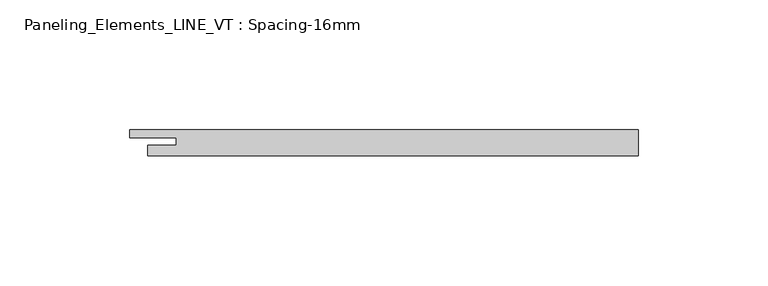
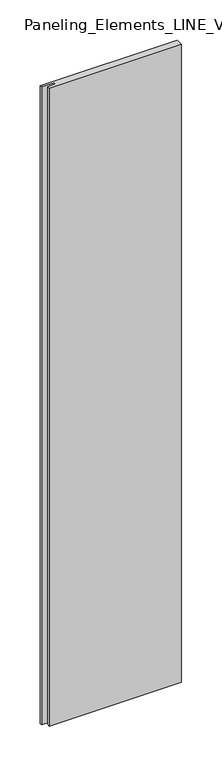
"""IFC4 building model written with IfcOpenShell, lengths in millimetres: plate geometry, Paneling_Elements_LINE_VT : Spacing-16mm."""

from ifc_helpers import new_model, si_unit, origin, origin_with_axes, place, context, project, spatial, polyline, outline, extrude, source, transform, mapped, element, save


def paneling_elements_line_vt_spacing_16mm_fc12639e(model_context):
    return source(origin(), model_context, "Body", "SweptSolid", [
        extrude(outline(polyline([(94.5, -5.0), (-94.5, -5.0), (-94.5, -1.0), (-83.5, -1.0), (-83.5, 2.0), (-101.5, 2.0), (-101.5, 5.0), (94.5, 5.0), (94.5, -5.0)])), origin_with_axes(), (0.0, 0.0, 1.0), 964.5),
    ])


if __name__ == "__main__":
    model = new_model("IFC4")
    model_context = context("Model", 3, world=origin())
    ifc_project = project(units=[si_unit("LENGTHUNIT", "METRE", prefix="MILLI")], contexts=[model_context])
    site = spatial("IfcSite", under=ifc_project)
    building = spatial("IfcBuilding", under=site)
    placement = place(None, origin())
    paneling_elements_line_vt_spacing_16mm_shape = paneling_elements_line_vt_spacing_16mm_fc12639e(model_context)
    element("IfcPlate", 1, ObjectType="Paneling_Elements_LINE_VT : Spacing-16mm", at=placement, inside=building, context=model_context, shape_type="MappedRepresentation", body=[
        mapped(paneling_elements_line_vt_spacing_16mm_shape, transform((0.0, 0.0, 0.0), x_axis=(1.0, 0.0, 0.0), y_axis=(0.0, 1.0, 0.0), z_axis=(0.0, 0.0, 1.0))),
    ])
    save(model, "model.ifc")
